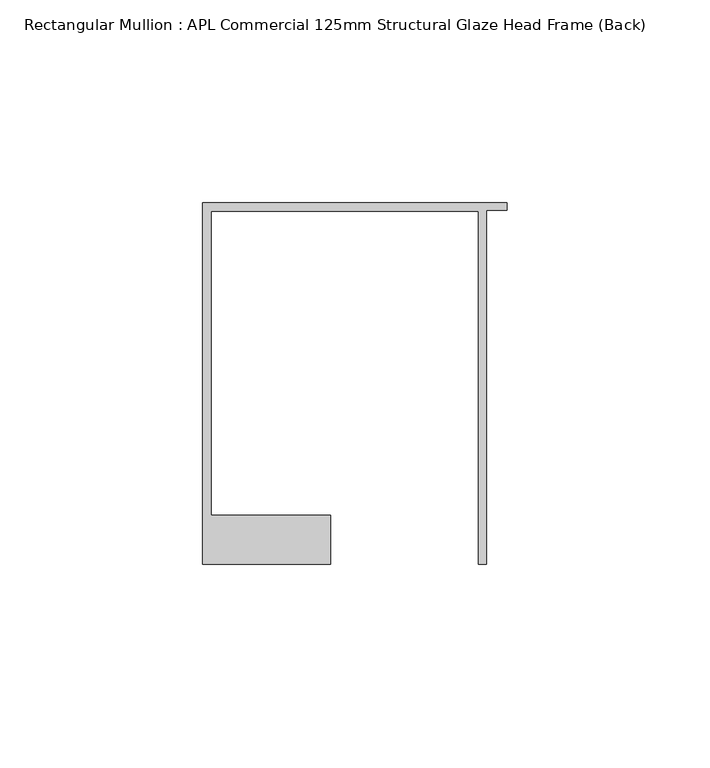
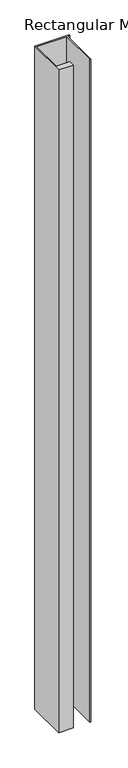
"""IFC4 building model written with IfcOpenShell, lengths in millimetres: member geometry, Rectangular Mullion : APL Commercial 125mm Structural Glaze Head Frame (Back)."""

from ifc_helpers import new_model, si_unit, frame, origin, place, context, project, spatial, polyline, outline, extrude, source, transform, mapped, element, save


def rectangular_mullion_apl_commercial_125mm_structural_glaze_7c494dc1(model_context):
    return source(origin(), model_context, "Body", "SweptSolid", [
        extrude(outline(polyline([(-75.0, 103.9993063), (0.0, 103.9993063), (0.0, 102.1993063), (-5.0, 102.1993063), (-5.0, 14.9998342), (-7.0, 14.9998342), (-7.0, 101.9993063), (-73.0, 101.9993063), (-73.0, 26.9997514), (-43.5000151, 26.9997514), (-43.5000151, 14.9998342), (-75.0, 14.9998342), (-75.0, 103.9993063)])), frame((0.0, 0.0, -1524.000019), z_axis=(0.0, 0.0, 1.0), x_axis=(1.0, 0.0, 0.0)), (0.0, 0.0, 1.0), 1524.000019),
    ])


if __name__ == "__main__":
    model = new_model("IFC4")
    model_context = context("Model", 3, world=origin())
    ifc_project = project(units=[si_unit("LENGTHUNIT", "METRE", prefix="MILLI")], contexts=[model_context])
    site = spatial("IfcSite", under=ifc_project)
    building = spatial("IfcBuilding", under=site)
    placement = place(None, origin())
    rectangular_mullion_apl_commercial_125mm_structural_glaze_shape = rectangular_mullion_apl_commercial_125mm_structural_glaze_7c494dc1(model_context)
    element("IfcMember", 1, ObjectType="Rectangular Mullion : APL Commercial 125mm Structural Glaze Head Frame (Back)", at=placement, inside=building, context=model_context, shape_type="MappedRepresentation", body=[
        mapped(rectangular_mullion_apl_commercial_125mm_structural_glaze_shape, transform((0.0, 0.0, 0.0), x_axis=(1.0, 0.0, 0.0), y_axis=(0.0, 1.0, 0.0), z_axis=(0.0, 0.0, 1.0))),
    ])
    save(model, "model.ifc")
